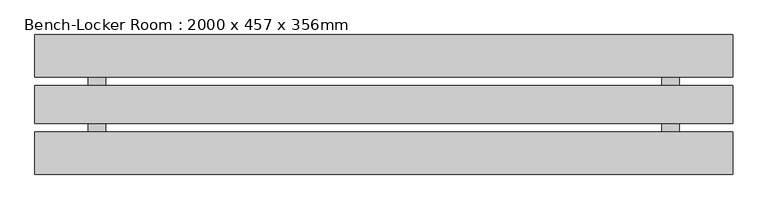
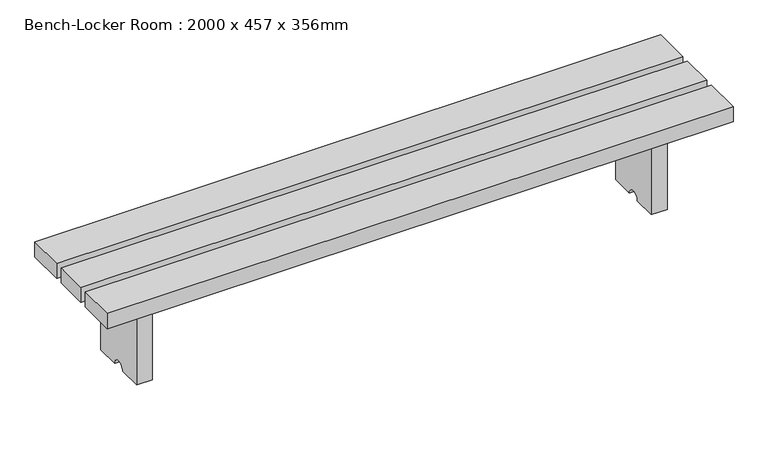
"""IFC4 building model written with IfcOpenShell, lengths in millimetres: furniture geometry, Bench-Locker Room : 2000 x 457 x 356mm."""

from ifc_helpers import new_model, si_unit, point, frame, frame_2d, origin, place, context, project, spatial, polyline, circle_curve, trimmed, segment, composite_curve, outline, extrude, source, transform, mapped, element, save


def bench_locker_room_2000_x_457_x_356mm_739fce84(model_context):
    return source(origin(), model_context, "Body", "SweptSolid", [
        extrude(outline(composite_curve([segment(polyline([(-279.1147541, 0.0), (-279.1147541, 305.2), (-82.3147541, 305.2), (-82.3147541, 0.0), (-158.5147541, 0.0)]), True, "CONTINUOUS"), segment(trimmed(circle_curve(frame_2d((-180.7147541, 0.0)), 22.2), [point((-158.5147541, 0.0))], [point((-202.9147541, 0.0))], True, "CARTESIAN"), True, "CONTINUOUS"), segment(polyline([(-202.9147541, 0.0), (-279.1147541, 0.0)]), True, "CONTINUOUS")], self_intersect=False)), frame((641.4852459, 0.0, 0.0), z_axis=(1.0, 0.0, 0.0), x_axis=(0.0, 1.0, 0.0)), (0.0, 0.0, 1.0), 50.8),
        extrude(outline(composite_curve([segment(polyline([(-82.3147541, 0.0), (-158.5147541, 0.0)]), True, "CONTINUOUS"), segment(trimmed(circle_curve(frame_2d((-180.7147541, 0.0)), 22.2), [point((-158.5147541, 0.0))], [point((-202.9147541, 0.0))], True, "CARTESIAN"), True, "CONTINUOUS"), segment(polyline([(-202.9147541, 0.0), (-279.1147541, 0.0), (-279.1147541, 305.2), (-82.3147541, 305.2), (-82.3147541, 0.0)]), True, "CONTINUOUS")], self_intersect=False)), frame((-1002.9147541, 0.0, 0.0), z_axis=(1.0, 0.0, 0.0), x_axis=(0.0, 1.0, 0.0)), (0.0, 0.0, 1.0), 50.8),
        extrude(outline(polyline([(844.6852459, 19.2852459), (844.6852459, -101.3480874), (-1155.3147541, -101.3480874), (-1155.3147541, 19.2852459), (844.6852459, 19.2852459)])), frame((0.0, 0.0, 305.2), z_axis=(0.0, 0.0, 1.0), x_axis=(1.0, 0.0, 0.0)), (0.0, 0.0, 1.0), 50.8),
        extrude(outline(polyline([(844.6852459, -380.7147541), (-1155.3147541, -380.7147541), (-1155.3147541, -260.0814208), (844.6852459, -260.0814208), (844.6852459, -380.7147541)])), frame((0.0, 0.0, 305.2), z_axis=(0.0, 0.0, 1.0), x_axis=(1.0, 0.0, 0.0)), (0.0, 0.0, 1.0), 50.8),
        extrude(outline(polyline([(844.6852459, -126.7480874), (844.6852459, -234.6814208), (-1155.3147541, -234.6814208), (-1155.3147541, -126.7480874), (844.6852459, -126.7480874)])), frame((0.0, 0.0, 305.2), z_axis=(0.0, 0.0, 1.0), x_axis=(1.0, 0.0, 0.0)), (0.0, 0.0, 1.0), 50.8),
    ])


if __name__ == "__main__":
    model = new_model("IFC4")
    model_context = context("Model", 3, world=origin())
    ifc_project = project(units=[si_unit("LENGTHUNIT", "METRE", prefix="MILLI")], contexts=[model_context])
    site = spatial("IfcSite", under=ifc_project)
    building = spatial("IfcBuilding", under=site)
    placement = place(None, origin())
    bench_locker_room_2000_x_457_x_356mm_shape = bench_locker_room_2000_x_457_x_356mm_739fce84(model_context)
    element("IfcFurniture", 1, ObjectType="Bench-Locker Room : 2000 x 457 x 356mm", at=placement, inside=building, context=model_context, shape_type="MappedRepresentation", body=[
        mapped(bench_locker_room_2000_x_457_x_356mm_shape, transform((0.0, 0.0, 0.0), x_axis=(1.0, 0.0, 0.0), y_axis=(0.0, 1.0, 0.0), z_axis=(0.0, 0.0, 1.0))),
    ])
    save(model, "model.ifc")
